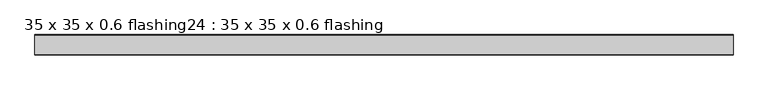
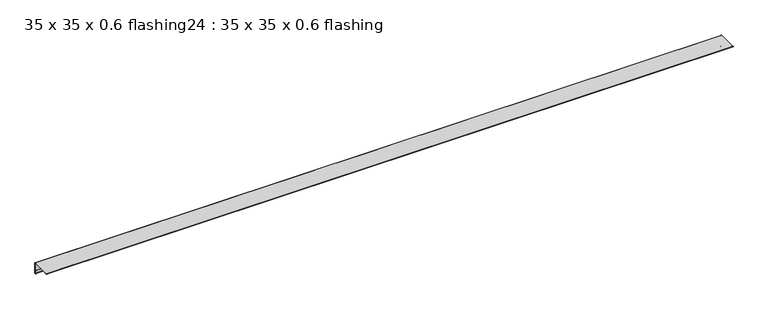
"""IFC4 building model written with IfcOpenShell, lengths in millimetres: proxy geometry, 35 x 35 x 0.6 flashing24 : 35 x 35 x 0.6 flashing."""

from ifc_helpers import new_model, si_unit, point, frame, frame_2d, origin, place, context, project, spatial, polyline, circle_curve, trimmed, segment, composite_curve, outline, extrude, source, transform, mapped, element, save


def proxy_35_x_35_x_0_6_flashing24_35_x_35_x_0_6_flashing_06d1940e(model_context):
    return source(origin(), model_context, "Body", "SweptSolid", [
        extrude(outline(composite_curve([segment(trimmed(circle_curve(frame_2d((-10303.3538523, 1488.3887139)), 1.0), [point((-10302.3538523, 1488.3887139))], [point((-10304.3538523, 1488.3887139))], False, "CARTESIAN"), True, "CONTINUOUS"), segment(polyline([(-10304.3538523, 1488.3887139), (-10304.3538523, 1497.390498), (-10303.3538523, 1497.390498), (-10303.3538523, 1525.8887139)]), True, "CONTINUOUS"), segment(trimmed(circle_curve(frame_2d((-10304.8538523, 1525.8887139)), 1.5), [point((-10303.3538523, 1525.8887139))], [point((-10304.8538523, 1527.3887139))], True, "CARTESIAN"), True, "CONTINUOUS"), segment(polyline([(-10304.8538523, 1527.3887139), (-10362.3538523, 1527.3887139), (-10362.3538523, 1526.3887139), (-10371.3865297, 1526.3887139)]), True, "CONTINUOUS"), segment(trimmed(circle_curve(frame_2d((-10371.3865297, 1527.3887139)), 1.0), [point((-10371.3865297, 1526.3887139))], [point((-10371.3865297, 1528.3887139))], False, "CARTESIAN"), True, "CONTINUOUS"), segment(polyline([(-10371.3865297, 1528.3887139), (-10304.8538523, 1528.3887139)]), True, "CONTINUOUS"), segment(trimmed(circle_curve(frame_2d((-10304.8538523, 1525.8887139)), 2.5), [point((-10304.8538523, 1528.3887139))], [point((-10302.3538523, 1525.8887139))], False, "CARTESIAN"), True, "CONTINUOUS"), segment(polyline([(-10302.3538523, 1525.8887139), (-10302.3538523, 1488.3887139)]), True, "CONTINUOUS")], self_intersect=False)), frame((-2519.6640929, 0.0, 0.0), z_axis=(1.0, 0.0, 0.0), x_axis=(0.0, 1.0, 0.0)), (0.0, 0.0, 1.0), 2410.6438934),
    ])


if __name__ == "__main__":
    model = new_model("IFC4")
    model_context = context("Model", 3, world=origin())
    ifc_project = project(units=[si_unit("LENGTHUNIT", "METRE", prefix="MILLI")], contexts=[model_context])
    site = spatial("IfcSite", under=ifc_project)
    building = spatial("IfcBuilding", under=site)
    placement = place(None, origin())
    proxy_35_x_35_x_0_6_flashing24_35_x_35_x_0_6_flashing_shape = proxy_35_x_35_x_0_6_flashing24_35_x_35_x_0_6_flashing_06d1940e(model_context)
    element("IfcBuildingElementProxy", 1, Name="35 x 35 x 0.6 flashing24 : 35 x 35 x 0.6 flashing", ObjectType="35 x 35 x 0.6 flashing24 : 35 x 35 x 0.6 flashing", at=placement, inside=building, context=model_context, shape_type="MappedRepresentation", body=[
        mapped(proxy_35_x_35_x_0_6_flashing24_35_x_35_x_0_6_flashing_shape, transform((0.0, 0.0, 0.0), x_axis=(1.0, 0.0, 0.0), y_axis=(0.0, 1.0, 0.0), z_axis=(0.0, 0.0, 1.0))),
    ])
    save(model, "model.ifc")
